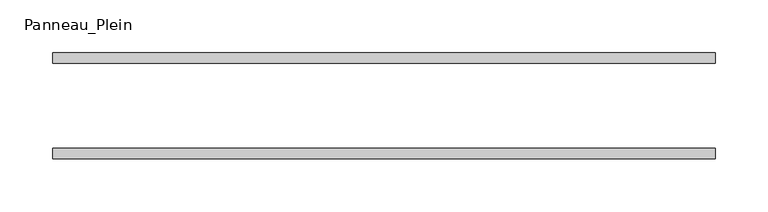
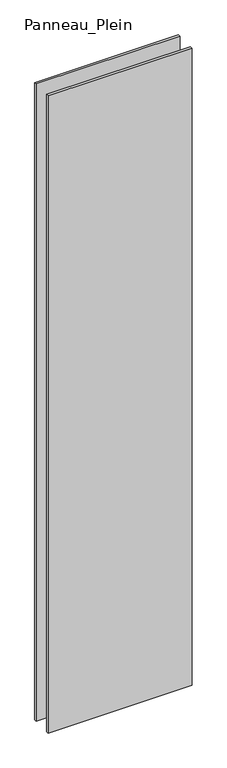
"""IFC4 building model written with IfcOpenShell, lengths in millimetres: plate geometry, Panneau_Plein."""

from ifc_helpers import new_model, si_unit, origin, origin_with_axes, place, context, project, spatial, polyline, outline, extrude, source, transform, mapped, element, save


def panneau_plein_9896d578(model_context):
    return source(origin(), model_context, "Body", "SweptSolid", [
        extrude(outline(polyline([(313.1939167, 50.0), (313.1939167, 40.0), (-313.1939167, 40.0), (-313.1939167, 50.0), (313.1939167, 50.0)])), origin_with_axes(), (0.0, 0.0, 1.0), 2930.3804804),
        extrude(outline(polyline([(313.1939167, -40.0), (313.1939167, -50.0), (-313.1939167, -50.0), (-313.1939167, -40.0), (313.1939167, -40.0)])), origin_with_axes(), (0.0, 0.0, 1.0), 2930.3804804),
    ])


if __name__ == "__main__":
    model = new_model("IFC4")
    model_context = context("Model", 3, world=origin())
    ifc_project = project(units=[si_unit("LENGTHUNIT", "METRE", prefix="MILLI")], contexts=[model_context])
    site = spatial("IfcSite", under=ifc_project)
    building = spatial("IfcBuilding", under=site)
    placement = place(None, origin())
    panneau_plein_shape = panneau_plein_9896d578(model_context)
    element("IfcPlate", 1, ObjectType="Panneau_Plein", at=placement, inside=building, context=model_context, shape_type="MappedRepresentation", body=[
        mapped(panneau_plein_shape, transform((0.0, 0.0, 0.0), x_axis=(1.0, 0.0, 0.0), y_axis=(0.0, 1.0, 0.0), z_axis=(0.0, 0.0, 1.0))),
    ])
    save(model, "model.ifc")
